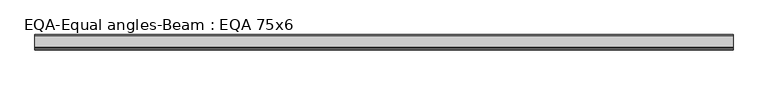
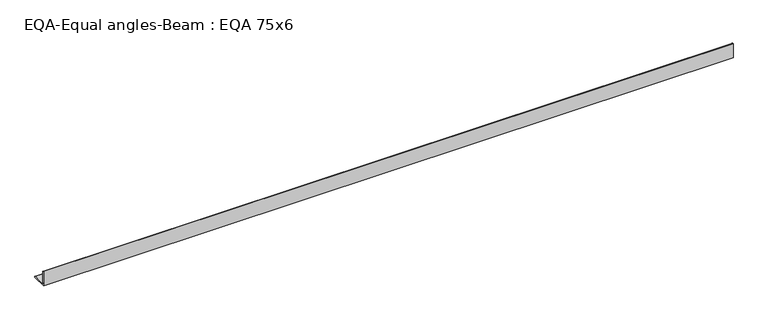
"""IFC4 building model written with IfcOpenShell, lengths in millimetres: beam geometry, EQA-Equal angles-Beam : EQA 75x6."""

from ifc_helpers import new_model, si_unit, point, frame, frame_2d, origin, place, context, project, spatial, polyline, circle_curve, trimmed, segment, composite_curve, outline, extrude, source, transform, mapped, element, save


def eqa_equal_angles_beam_eqa_75x6_bd4a1a10(model_context):
    return source(origin(), model_context, "Body", "SweptSolid", [
        extrude(outline(composite_curve([segment(polyline([(-20.5, -20.5), (-20.5, 54.5), (-19.0, 54.5)]), True, "CONTINUOUS"), segment(trimmed(circle_curve(frame_2d((-19.0, 50.0)), 4.5), [point((-19.0, 54.5))], [point((-14.5, 50.0))], False, "CARTESIAN"), True, "CONTINUOUS"), segment(polyline([(-14.5, 50.0), (-14.5, -5.5)]), True, "CONTINUOUS"), segment(trimmed(circle_curve(frame_2d((-5.5, -5.5)), 9.0), [point((-14.5, -5.5))], [point((-5.5, -14.5))], True, "CARTESIAN"), True, "CONTINUOUS"), segment(polyline([(-5.5, -14.5), (50.0, -14.5)]), True, "CONTINUOUS"), segment(trimmed(circle_curve(frame_2d((50.0, -19.0)), 4.5), [point((50.0, -14.5))], [point((54.5, -19.0))], False, "CARTESIAN"), True, "CONTINUOUS"), segment(polyline([(54.5, -19.0), (54.5, -20.5), (-20.5, -20.5)]), True, "CONTINUOUS")], self_intersect=False)), frame((-1696.8150635, 0.0, 0.0), z_axis=(1.0, 0.0, 0.0), x_axis=(0.0, 1.0, 0.0)), (0.0, 0.0, 1.0), 3423.9323973),
    ])


if __name__ == "__main__":
    model = new_model("IFC4")
    model_context = context("Model", 3, world=origin())
    ifc_project = project(units=[si_unit("LENGTHUNIT", "METRE", prefix="MILLI")], contexts=[model_context])
    site = spatial("IfcSite", under=ifc_project)
    building = spatial("IfcBuilding", under=site)
    placement = place(None, origin())
    eqa_equal_angles_beam_eqa_75x6_shape = eqa_equal_angles_beam_eqa_75x6_bd4a1a10(model_context)
    element("IfcBeam", 1, ObjectType="EQA-Equal angles-Beam : EQA 75x6", at=placement, inside=building, context=model_context, shape_type="MappedRepresentation", body=[
        mapped(eqa_equal_angles_beam_eqa_75x6_shape, transform((0.0, 0.0, 0.0), x_axis=(1.0, 0.0, 0.0), y_axis=(0.0, 1.0, 0.0), z_axis=(0.0, 0.0, 1.0))),
    ])
    save(model, "model.ifc")
